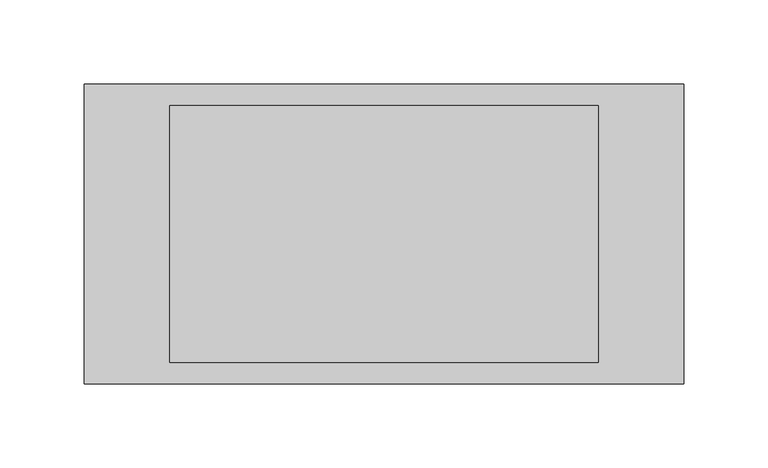
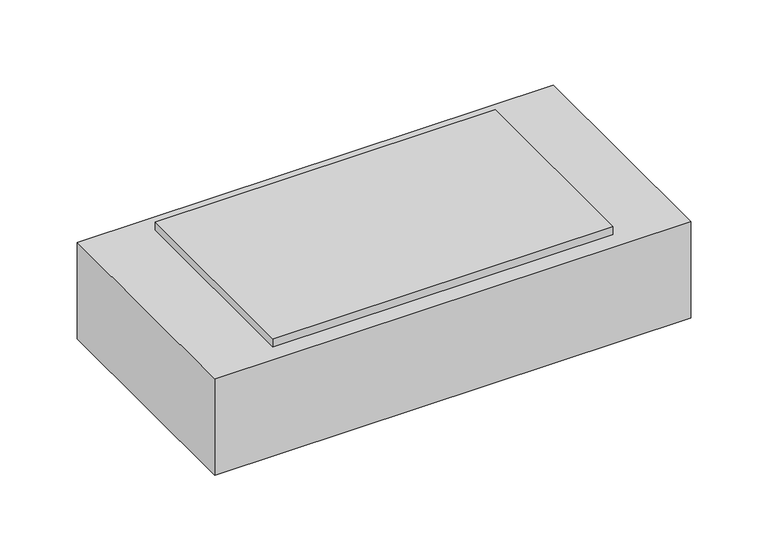
"""IFC4 building model written with IfcOpenShell, lengths in millimetres: proxy geometry."""

import ifcopenshell
import ifcopenshell.guid

model = None  # the IFC model being written
_history = None  # IfcOwnerHistory: only IFC2X3 demands one
_inside = {}  # id of a spatial element -> (the spatial element, [elements in it])
_under = {}  # id of a project, library or spatial element -> (it, [spatial elements below it])
_declared = {}  # id of a project -> (the project, [libraries it declares])
_typed = {}  # id of a type object -> (the type object, [elements of that type])
_made_of = {}  # id of a material, layer set ... -> (it, [elements and type objects made of it])


def new_model(schema):
    """Start an empty IFC model of exactly this schema.

    Asked for "IFC4X3", IfcOpenShell would pick the latest addendum, in which some entities
    have other attributes; the version numbers below select the first issue.
    IFC2X3 requires an IfcOwnerHistory on every rooted entity: one is made here for all.
    """
    global model, _history
    if schema == "IFC4X3":
        model = ifcopenshell.file(schema_version=(4, 3, 0, 0))
    else:
        model = ifcopenshell.file(schema=schema)
    _inside.clear()
    _under.clear()
    _declared.clear()
    _typed.clear()
    _made_of.clear()
    _history = None
    if model.schema == "IFC2X3":
        org = make("IfcOrganization", Name="unknown")
        user = make(
            "IfcPersonAndOrganization",
            ThePerson=make("IfcPerson", FamilyName="unknown"),
            TheOrganization=org,
        )
        app = make(
            "IfcApplication",
            ApplicationDeveloper=org,
            Version="unknown",
            ApplicationFullName="unknown",
            ApplicationIdentifier="unknown",
        )
        _history = make(
            "IfcOwnerHistory",
            OwningUser=user,
            OwningApplication=app,
            ChangeAction="ADDED",
            CreationDate=0,
        )
    return model


def make(cls, **values):
    """One entity of the class cls with the attributes given. An attribute that is None is left unset."""
    return model.create_entity(
        cls, **{name: value for name, value in values.items() if value is not None}
    )


def rooted(cls, **values):
    """An entity with a GlobalId (a new one), such as an element, a storey or a relation."""
    return make(cls, GlobalId=ifcopenshell.guid.new(), OwnerHistory=_history, **values)


def si_unit(unit_type, name, prefix=None):
    """IfcSIUnit, for example si_unit("LENGTHUNIT", "METRE", prefix="MILLI")."""
    return make("IfcSIUnit", UnitType=unit_type, Prefix=prefix, Name=name)


def assignment(units):
    """IfcUnitAssignment: the units of a project."""
    return None if units is None else make("IfcUnitAssignment", Units=units)


def point(xyz):
    """IfcCartesianPoint."""
    return None if xyz is None else make("IfcCartesianPoint", Coordinates=xyz)


def direction(xyz):
    """IfcDirection."""
    return None if xyz is None else make("IfcDirection", DirectionRatios=xyz)


def frame(location, z_axis=None, x_axis=None):
    """IfcAxis2Placement3D, a coordinate frame: its origin and axes. An axis left out is left unset."""
    return make(
        "IfcAxis2Placement3D",
        Location=point(location),
        Axis=direction(z_axis),
        RefDirection=direction(x_axis),
    )


def origin():
    """The frame at (0, 0, 0) with its axes left unset."""
    return frame((0.0, 0.0, 0.0))


def origin_with_axes():
    """The frame at (0, 0, 0) with the z axis (0, 0, 1) and the x axis (1, 0, 0) written out."""
    return frame((0.0, 0.0, 0.0), z_axis=(0.0, 0.0, 1.0), x_axis=(1.0, 0.0, 0.0))


def place(relative_to, where):
    """IfcLocalPlacement: puts the frame where relative to a parent placement (None: the world)."""
    return make(
        "IfcLocalPlacement", PlacementRelTo=relative_to, RelativePlacement=where
    )


def context(
    kind, dimensions, precision=None, world=None, true_north=None, identifier=None
):
    """IfcGeometricRepresentationContext, for example the 3D "Model" context."""
    return make(
        "IfcGeometricRepresentationContext",
        ContextIdentifier=identifier,
        ContextType=kind,
        CoordinateSpaceDimension=dimensions,
        Precision=precision,
        WorldCoordinateSystem=world,
        TrueNorth=true_north,
    )


def project(units=None, contexts=None):
    """IfcProject with its units and contexts."""
    return rooted(
        "IfcProject",
        Name="project",
        RepresentationContexts=contexts,
        UnitsInContext=assignment(units),
    )


def spatial(cls, under=None, at=None, **own):
    """A site, building, storey or space (cls), placed at a placement, below another one or the project."""
    s = rooted(cls, ObjectPlacement=at, **own)
    if under is not None:
        _under.setdefault(under.id(), (under, []))[1].append(s)
    return s


def polyline(points):
    """IfcPolyline through the points."""
    return make("IfcPolyline", Points=[point(p) for p in points])


def outline(outer, holes=None, kind="AREA"):
    """IfcArbitraryClosedProfileDef: a profile drawn as a closed curve; with holes, ...WithVoids."""
    if holes is None:
        return make("IfcArbitraryClosedProfileDef", ProfileType=kind, OuterCurve=outer)
    return make(
        "IfcArbitraryProfileDefWithVoids",
        ProfileType=kind,
        OuterCurve=outer,
        InnerCurves=holes,
    )


def extrude(swept, where, along, depth):
    """IfcExtrudedAreaSolid: the profile swept, set in the frame where, extruded along a direction by depth."""
    return make(
        "IfcExtrudedAreaSolid",
        SweptArea=swept,
        Position=where,
        ExtrudedDirection=direction(along),
        Depth=depth,
    )


def shape(context_of_items, identifier, shape_type, items):
    """IfcShapeRepresentation: the items that make up one representation, for example the "Body"."""
    return make(
        "IfcShapeRepresentation",
        ContextOfItems=context_of_items,
        RepresentationIdentifier=identifier,
        RepresentationType=shape_type,
        Items=items,
    )


def source(mapping_origin, context_of_items, identifier, shape_type, items):
    """IfcRepresentationMap: a shape defined once, which mapped items show again and again."""
    return make(
        "IfcRepresentationMap",
        MappingOrigin=mapping_origin,
        MappedRepresentation=shape(context_of_items, identifier, shape_type, items),
    )


def transform(
    local_origin,
    x_axis=None,
    y_axis=None,
    z_axis=None,
    scale=None,
    scale2=None,
    scale3=None,
    uniform=True,
):
    """IfcCartesianTransformationOperator3D, or its non-uniform kind. x_axis, y_axis, z_axis: its Axis1, 2, 3."""
    if uniform:
        return make(
            "IfcCartesianTransformationOperator3D",
            Axis1=direction(x_axis),
            Axis2=direction(y_axis),
            LocalOrigin=point(local_origin),
            Scale=scale,
            Axis3=direction(z_axis),
        )
    return make(
        "IfcCartesianTransformationOperator3DnonUniform",
        Axis1=direction(x_axis),
        Axis2=direction(y_axis),
        LocalOrigin=point(local_origin),
        Scale=scale,
        Axis3=direction(z_axis),
        Scale2=scale2,
        Scale3=scale3,
    )


def mapped(mapping_source, mapping_target):
    """IfcMappedItem: shows the shape of a source again, moved by a transform."""
    return make(
        "IfcMappedItem", MappingSource=mapping_source, MappingTarget=mapping_target
    )


def made_of(thing, what):
    """Note that an element or type object is made of a material, layer set ...; save() writes the relation."""
    if what is not None:
        _made_of.setdefault(what.id(), (what, []))[1].append(thing)
    return thing


def element(
    cls,
    number,
    at=None,
    inside=None,
    cuts=None,
    type_object=None,
    material=None,
    context=None,
    identifier="Body",
    shape_type=None,
    held_by="IfcProductDefinitionShape",
    body=None,
    shapes=None,
    **own,
):
    """One element of the class cls, such as IfcWall. Its Tag is "e" and its number.

    at: its placement. inside: the storey or other place that contains it. cuts: it is an
    opening in that element (IfcRelVoidsElement). A single representation is given by context,
    identifier, shape_type and body (its items); several are given by shapes. held_by: the class
    of the entity that holds the representations. save() writes the other relations.
    """
    e = rooted(cls, Tag="e%d" % number, ObjectPlacement=at, **own)
    if body is not None:
        shapes = [shape(context, identifier, shape_type, body)]
    if shapes is not None:
        e.Representation = make(held_by, Representations=shapes)
    if inside is not None:
        _inside.setdefault(inside.id(), (inside, []))[1].append(e)
    if cuts is not None:
        rooted(
            "IfcRelVoidsElement", RelatingBuildingElement=cuts, RelatedOpeningElement=e
        )
    if type_object is not None:
        _typed.setdefault(type_object.id(), (type_object, []))[1].append(e)
    return made_of(e, material)


def aggregate(whole, parts):
    """IfcRelAggregates: a whole, such as a stair, and the parts it consists of."""
    return rooted("IfcRelAggregates", RelatingObject=whole, RelatedObjects=parts)


def save(model, path):
    """Write the relations noted so far, then the file.

    IfcRelAggregates (storeys below a building ...), IfcRelContainedInSpatialStructure (elements
    in a storey), IfcRelDefinesByType, IfcRelAssociatesMaterial and IfcRelDeclares: one each for
    every whole, place, type object, material and project.
    """
    for whole, parts in _under.values():
        aggregate(whole, parts)
    for where, things in _inside.values():
        rooted(
            "IfcRelContainedInSpatialStructure",
            RelatedElements=things,
            RelatingStructure=where,
        )
    for kind, things in _typed.values():
        rooted("IfcRelDefinesByType", RelatedObjects=things, RelatingType=kind)
    for what, things in _made_of.values():
        rooted("IfcRelAssociatesMaterial", RelatedObjects=things, RelatingMaterial=what)
    for by, libraries in _declared.values():
        rooted("IfcRelDeclares", RelatingContext=by, RelatedDefinitions=libraries)
    model.write(path)


def electrical_fixtures_965849e3(model_context):
    return source(origin(), model_context, "Body", "SweptSolid", [
        extrude(outline(polyline([(127.0, 76.2), (127.0, -76.2), (-127.0, -76.2), (-127.0, 76.2), (127.0, 76.2)])), origin_with_axes(), (0.0, 0.0, 1.0), 6.35),
        extrude(outline(polyline([(177.8, 88.9), (177.8, -88.9), (-177.8, -88.9), (-177.8, 88.9), (177.8, 88.9)])), frame((0.0, 0.0, -76.2), z_axis=(0.0, 0.0, 1.0), x_axis=(1.0, 0.0, 0.0)), (0.0, 0.0, 1.0), 76.2),
    ])


if __name__ == "__main__":
    model = new_model("IFC4")
    model_context = context("Model", 3, world=origin())
    ifc_project = project(units=[si_unit("LENGTHUNIT", "METRE", prefix="MILLI")], contexts=[model_context])
    site = spatial("IfcSite", under=ifc_project)
    building = spatial("IfcBuilding", under=site)
    placement = place(None, origin())
    electrical_fixtures_shape = electrical_fixtures_965849e3(model_context)
    element("IfcBuildingElementProxy", 1, Name="Electrical Fixtures", at=placement, inside=building, context=model_context, shape_type="MappedRepresentation", body=[
        mapped(electrical_fixtures_shape, transform((0.0, 0.0, 0.0), x_axis=(1.0, 0.0, 0.0), y_axis=(0.0, 1.0, 0.0), z_axis=(0.0, 0.0, 1.0))),
    ])
    save(model, "model.ifc")
